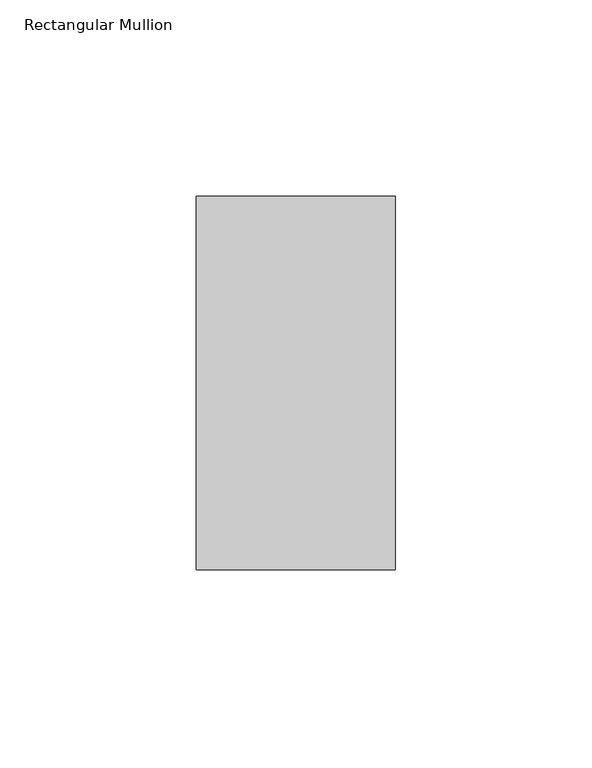
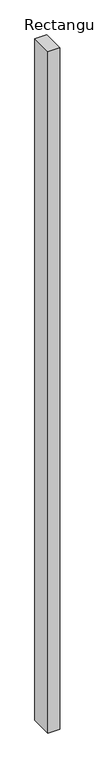
"""IFC4 building model written with IfcOpenShell, lengths in millimetres: member geometry, Rectangular Mullion."""

from ifc_helpers import new_model, si_unit, frame, origin, place, context, project, spatial, polyline, outline, extrude, source, transform, mapped, element, save


def rectangular_mullion_9d03fe7a(model_context):
    return source(origin(), model_context, "Body", "SweptSolid", [
        extrude(outline(polyline([(-25.4, -38.0384315), (-25.4, 57.2115685), (25.4, 57.2115685), (25.4, -38.0384315), (-25.4, -38.0384315)])), frame((0.0, 0.0, -3048.0), z_axis=(0.0, 0.0, 1.0), x_axis=(1.0, 0.0, 0.0)), (0.0, 0.0, 1.0), 3048.0),
    ])


if __name__ == "__main__":
    model = new_model("IFC4")
    model_context = context("Model", 3, world=origin())
    ifc_project = project(units=[si_unit("LENGTHUNIT", "METRE", prefix="MILLI")], contexts=[model_context])
    site = spatial("IfcSite", under=ifc_project)
    building = spatial("IfcBuilding", under=site)
    placement = place(None, origin())
    rectangular_mullion_shape = rectangular_mullion_9d03fe7a(model_context)
    element("IfcMember", 1, ObjectType="Rectangular Mullion", at=placement, inside=building, context=model_context, shape_type="MappedRepresentation", body=[
        mapped(rectangular_mullion_shape, transform((0.0, 0.0, 0.0), x_axis=(1.0, 0.0, 0.0), y_axis=(0.0, 1.0, 0.0), z_axis=(0.0, 0.0, 1.0))),
    ])
    save(model, "model.ifc")
